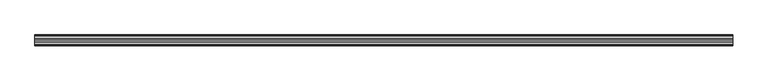
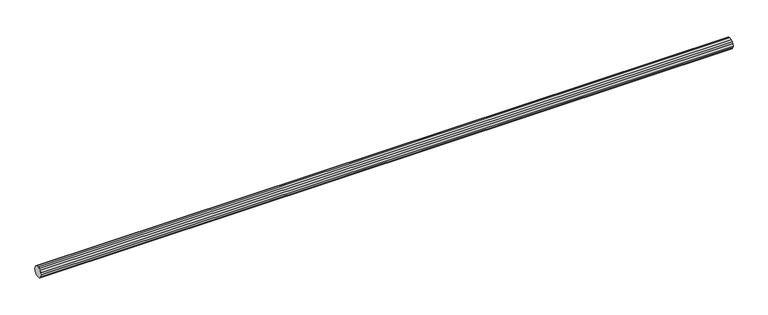
"""IFC4 building model written with IfcOpenShell, lengths in millimetres: beam geometry."""

from ifc_helpers import new_model, si_unit, frame, origin, place, context, project, spatial, polyline, outline, extrude, source, transform, mapped, element, save


def beam_106a6d35(model_context):
    return source(origin(), model_context, "Body", "SweptSolid", [
        extrude(outline(polyline([(10.6568654, 86.4243195), (0.0, 140.0), (10.6568654, 193.5756805), (41.0050506, 238.9949494), (86.4243195, 269.3431346), (140.0, 280.0), (193.5756805, 269.3431346), (238.9949494, 238.9949494), (269.3431346, 193.5756805), (280.0, 140.0), (269.3431346, 86.4243195), (238.9949494, 41.0050506), (193.5756805, 10.6568654), (140.0, 0.0), (86.4243195, 10.6568654), (41.0050506, 41.0050506), (10.6568654, 86.4243195)])), frame((0.0, 0.0, 0.0), z_axis=(1.0, 0.0, 0.0), x_axis=(0.0, 1.0, 0.0)), (0.0, 0.0, 1.0), 18005.0),
    ])


if __name__ == "__main__":
    model = new_model("IFC4")
    model_context = context("Model", 3, world=origin())
    ifc_project = project(units=[si_unit("LENGTHUNIT", "METRE", prefix="MILLI")], contexts=[model_context])
    site = spatial("IfcSite", under=ifc_project)
    building = spatial("IfcBuilding", under=site)
    placement = place(None, origin())
    beam_shape = beam_106a6d35(model_context)
    element("IfcBeam", 1, at=placement, inside=building, context=model_context, shape_type="MappedRepresentation", body=[
        mapped(beam_shape, transform((0.0, 0.0, 0.0), x_axis=(1.0, 0.0, 0.0), y_axis=(0.0, 1.0, 0.0), z_axis=(0.0, 0.0, 1.0))),
    ])
    save(model, "model.ifc")
